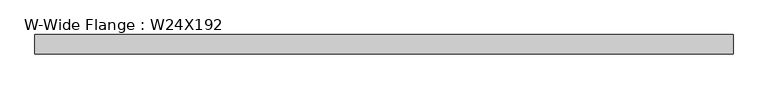
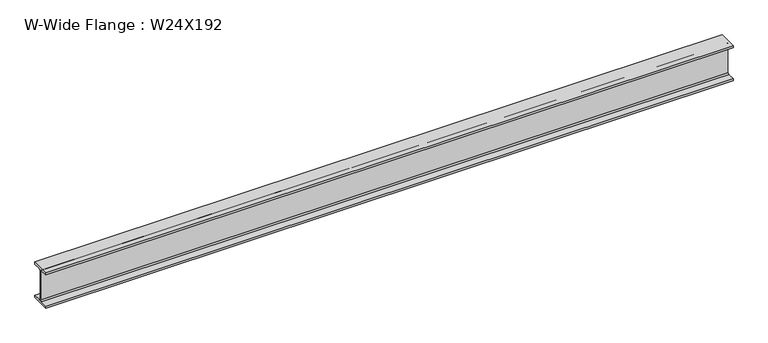
"""IFC4 building model written with IfcOpenShell, lengths in millimetres: beam geometry, W-Wide Flange : W24X192."""

import ifcopenshell
import ifcopenshell.guid

model = None  # the IFC model being written
_history = None  # IfcOwnerHistory: only IFC2X3 demands one
_inside = {}  # id of a spatial element -> (the spatial element, [elements in it])
_under = {}  # id of a project, library or spatial element -> (it, [spatial elements below it])
_declared = {}  # id of a project -> (the project, [libraries it declares])
_typed = {}  # id of a type object -> (the type object, [elements of that type])
_made_of = {}  # id of a material, layer set ... -> (it, [elements and type objects made of it])


def new_model(schema):
    """Start an empty IFC model of exactly this schema.

    Asked for "IFC4X3", IfcOpenShell would pick the latest addendum, in which some entities
    have other attributes; the version numbers below select the first issue.
    IFC2X3 requires an IfcOwnerHistory on every rooted entity: one is made here for all.
    """
    global model, _history
    if schema == "IFC4X3":
        model = ifcopenshell.file(schema_version=(4, 3, 0, 0))
    else:
        model = ifcopenshell.file(schema=schema)
    _inside.clear()
    _under.clear()
    _declared.clear()
    _typed.clear()
    _made_of.clear()
    _history = None
    if model.schema == "IFC2X3":
        org = make("IfcOrganization", Name="unknown")
        user = make(
            "IfcPersonAndOrganization",
            ThePerson=make("IfcPerson", FamilyName="unknown"),
            TheOrganization=org,
        )
        app = make(
            "IfcApplication",
            ApplicationDeveloper=org,
            Version="unknown",
            ApplicationFullName="unknown",
            ApplicationIdentifier="unknown",
        )
        _history = make(
            "IfcOwnerHistory",
            OwningUser=user,
            OwningApplication=app,
            ChangeAction="ADDED",
            CreationDate=0,
        )
    return model


def make(cls, **values):
    """One entity of the class cls with the attributes given. An attribute that is None is left unset."""
    return model.create_entity(
        cls, **{name: value for name, value in values.items() if value is not None}
    )


def rooted(cls, **values):
    """An entity with a GlobalId (a new one), such as an element, a storey or a relation."""
    return make(cls, GlobalId=ifcopenshell.guid.new(), OwnerHistory=_history, **values)


def si_unit(unit_type, name, prefix=None):
    """IfcSIUnit, for example si_unit("LENGTHUNIT", "METRE", prefix="MILLI")."""
    return make("IfcSIUnit", UnitType=unit_type, Prefix=prefix, Name=name)


def assignment(units):
    """IfcUnitAssignment: the units of a project."""
    return None if units is None else make("IfcUnitAssignment", Units=units)


def point(xyz):
    """IfcCartesianPoint."""
    return None if xyz is None else make("IfcCartesianPoint", Coordinates=xyz)


def direction(xyz):
    """IfcDirection."""
    return None if xyz is None else make("IfcDirection", DirectionRatios=xyz)


def frame(location, z_axis=None, x_axis=None):
    """IfcAxis2Placement3D, a coordinate frame: its origin and axes. An axis left out is left unset."""
    return make(
        "IfcAxis2Placement3D",
        Location=point(location),
        Axis=direction(z_axis),
        RefDirection=direction(x_axis),
    )


def frame_2d(location, x_axis=None):
    """IfcAxis2Placement2D, a coordinate frame in the plane: its origin and x axis."""
    return make(
        "IfcAxis2Placement2D", Location=point(location), RefDirection=direction(x_axis)
    )


def origin():
    """The frame at (0, 0, 0) with its axes left unset."""
    return frame((0.0, 0.0, 0.0))


def place(relative_to, where):
    """IfcLocalPlacement: puts the frame where relative to a parent placement (None: the world)."""
    return make(
        "IfcLocalPlacement", PlacementRelTo=relative_to, RelativePlacement=where
    )


def context(
    kind, dimensions, precision=None, world=None, true_north=None, identifier=None
):
    """IfcGeometricRepresentationContext, for example the 3D "Model" context."""
    return make(
        "IfcGeometricRepresentationContext",
        ContextIdentifier=identifier,
        ContextType=kind,
        CoordinateSpaceDimension=dimensions,
        Precision=precision,
        WorldCoordinateSystem=world,
        TrueNorth=true_north,
    )


def project(units=None, contexts=None):
    """IfcProject with its units and contexts."""
    return rooted(
        "IfcProject",
        Name="project",
        RepresentationContexts=contexts,
        UnitsInContext=assignment(units),
    )


def spatial(cls, under=None, at=None, **own):
    """A site, building, storey or space (cls), placed at a placement, below another one or the project."""
    s = rooted(cls, ObjectPlacement=at, **own)
    if under is not None:
        _under.setdefault(under.id(), (under, []))[1].append(s)
    return s


def polyline(points):
    """IfcPolyline through the points."""
    return make("IfcPolyline", Points=[point(p) for p in points])


def circle_curve(where, radius):
    """IfcCircle in the frame where."""
    return make("IfcCircle", Position=where, Radius=radius)


def trimmed(basis, trim1, trim2, sense, master):
    """IfcTrimmedCurve: the piece of a basis curve between two trims."""
    return make(
        "IfcTrimmedCurve",
        BasisCurve=basis,
        Trim1=trim1,
        Trim2=trim2,
        SenseAgreement=sense,
        MasterRepresentation=master,
    )


def segment(curve, same_sense, transition):
    """IfcCompositeCurveSegment."""
    return make(
        "IfcCompositeCurveSegment",
        Transition=transition,
        SameSense=same_sense,
        ParentCurve=curve,
    )


def composite_curve(segments, self_intersect=None):
    """IfcCompositeCurve: segments joined end to end."""
    return make("IfcCompositeCurve", Segments=segments, SelfIntersect=self_intersect)


def outline(outer, holes=None, kind="AREA"):
    """IfcArbitraryClosedProfileDef: a profile drawn as a closed curve; with holes, ...WithVoids."""
    if holes is None:
        return make("IfcArbitraryClosedProfileDef", ProfileType=kind, OuterCurve=outer)
    return make(
        "IfcArbitraryProfileDefWithVoids",
        ProfileType=kind,
        OuterCurve=outer,
        InnerCurves=holes,
    )


def extrude(swept, where, along, depth):
    """IfcExtrudedAreaSolid: the profile swept, set in the frame where, extruded along a direction by depth."""
    return make(
        "IfcExtrudedAreaSolid",
        SweptArea=swept,
        Position=where,
        ExtrudedDirection=direction(along),
        Depth=depth,
    )


def shape(context_of_items, identifier, shape_type, items):
    """IfcShapeRepresentation: the items that make up one representation, for example the "Body"."""
    return make(
        "IfcShapeRepresentation",
        ContextOfItems=context_of_items,
        RepresentationIdentifier=identifier,
        RepresentationType=shape_type,
        Items=items,
    )


def source(mapping_origin, context_of_items, identifier, shape_type, items):
    """IfcRepresentationMap: a shape defined once, which mapped items show again and again."""
    return make(
        "IfcRepresentationMap",
        MappingOrigin=mapping_origin,
        MappedRepresentation=shape(context_of_items, identifier, shape_type, items),
    )


def transform(
    local_origin,
    x_axis=None,
    y_axis=None,
    z_axis=None,
    scale=None,
    scale2=None,
    scale3=None,
    uniform=True,
):
    """IfcCartesianTransformationOperator3D, or its non-uniform kind. x_axis, y_axis, z_axis: its Axis1, 2, 3."""
    if uniform:
        return make(
            "IfcCartesianTransformationOperator3D",
            Axis1=direction(x_axis),
            Axis2=direction(y_axis),
            LocalOrigin=point(local_origin),
            Scale=scale,
            Axis3=direction(z_axis),
        )
    return make(
        "IfcCartesianTransformationOperator3DnonUniform",
        Axis1=direction(x_axis),
        Axis2=direction(y_axis),
        LocalOrigin=point(local_origin),
        Scale=scale,
        Axis3=direction(z_axis),
        Scale2=scale2,
        Scale3=scale3,
    )


def mapped(mapping_source, mapping_target):
    """IfcMappedItem: shows the shape of a source again, moved by a transform."""
    return make(
        "IfcMappedItem", MappingSource=mapping_source, MappingTarget=mapping_target
    )


def made_of(thing, what):
    """Note that an element or type object is made of a material, layer set ...; save() writes the relation."""
    if what is not None:
        _made_of.setdefault(what.id(), (what, []))[1].append(thing)
    return thing


def element(
    cls,
    number,
    at=None,
    inside=None,
    cuts=None,
    type_object=None,
    material=None,
    context=None,
    identifier="Body",
    shape_type=None,
    held_by="IfcProductDefinitionShape",
    body=None,
    shapes=None,
    **own,
):
    """One element of the class cls, such as IfcWall. Its Tag is "e" and its number.

    at: its placement. inside: the storey or other place that contains it. cuts: it is an
    opening in that element (IfcRelVoidsElement). A single representation is given by context,
    identifier, shape_type and body (its items); several are given by shapes. held_by: the class
    of the entity that holds the representations. save() writes the other relations.
    """
    e = rooted(cls, Tag="e%d" % number, ObjectPlacement=at, **own)
    if body is not None:
        shapes = [shape(context, identifier, shape_type, body)]
    if shapes is not None:
        e.Representation = make(held_by, Representations=shapes)
    if inside is not None:
        _inside.setdefault(inside.id(), (inside, []))[1].append(e)
    if cuts is not None:
        rooted(
            "IfcRelVoidsElement", RelatingBuildingElement=cuts, RelatedOpeningElement=e
        )
    if type_object is not None:
        _typed.setdefault(type_object.id(), (type_object, []))[1].append(e)
    return made_of(e, material)


def aggregate(whole, parts):
    """IfcRelAggregates: a whole, such as a stair, and the parts it consists of."""
    return rooted("IfcRelAggregates", RelatingObject=whole, RelatedObjects=parts)


def save(model, path):
    """Write the relations noted so far, then the file.

    IfcRelAggregates (storeys below a building ...), IfcRelContainedInSpatialStructure (elements
    in a storey), IfcRelDefinesByType, IfcRelAssociatesMaterial and IfcRelDeclares: one each for
    every whole, place, type object, material and project.
    """
    for whole, parts in _under.values():
        aggregate(whole, parts)
    for where, things in _inside.values():
        rooted(
            "IfcRelContainedInSpatialStructure",
            RelatedElements=things,
            RelatingStructure=where,
        )
    for kind, things in _typed.values():
        rooted("IfcRelDefinesByType", RelatedObjects=things, RelatingType=kind)
    for what, things in _made_of.values():
        rooted("IfcRelAssociatesMaterial", RelatedObjects=things, RelatingMaterial=what)
    for by, libraries in _declared.values():
        rooted("IfcRelDeclares", RelatingContext=by, RelatedDefinitions=libraries)
    model.write(path)


def w_wide_flange_w24x192_ff1367d4(model_context):
    return source(origin(), model_context, "Body", "SweptSolid", [
        extrude(outline(composite_curve([segment(polyline([(165.1, -286.766), (165.1, -323.85), (-165.1, -323.85), (-165.1, -286.766), (-33.528, -286.766)]), True, "CONTINUOUS"), segment(trimmed(circle_curve(frame_2d((-33.528, -263.525)), 23.241), [point((-33.528, -286.766))], [point((-10.287, -263.525))], True, "CARTESIAN"), True, "CONTINUOUS"), segment(polyline([(-10.287, -263.525), (-10.287, 263.525)]), True, "CONTINUOUS"), segment(trimmed(circle_curve(frame_2d((-33.528, 263.525)), 23.241), [point((-10.287, 263.525))], [point((-33.528, 286.766))], True, "CARTESIAN"), True, "CONTINUOUS"), segment(polyline([(-33.528, 286.766), (-165.1, 286.766), (-165.1, 323.85), (165.1, 323.85), (165.1, 286.766), (33.528, 286.766)]), True, "CONTINUOUS"), segment(trimmed(circle_curve(frame_2d((33.528, 263.525)), 23.241), [point((33.528, 286.766))], [point((10.287, 263.525))], True, "CARTESIAN"), True, "CONTINUOUS"), segment(polyline([(10.287, 263.525), (10.287, -263.525)]), True, "CONTINUOUS"), segment(trimmed(circle_curve(frame_2d((33.528, -263.525)), 23.241), [point((10.287, -263.525))], [point((33.528, -286.766))], True, "CARTESIAN"), True, "CONTINUOUS"), segment(polyline([(33.528, -286.766), (165.1, -286.766)]), True, "CONTINUOUS")], self_intersect=False)), frame((-6014.2985989, 0.0, 0.0), z_axis=(1.0, 0.0, 0.0), x_axis=(0.0, 1.0, 0.0)), (0.0, 0.0, 1.0), 11964.5244601),
    ])


if __name__ == "__main__":
    model = new_model("IFC4")
    model_context = context("Model", 3, world=origin())
    ifc_project = project(units=[si_unit("LENGTHUNIT", "METRE", prefix="MILLI")], contexts=[model_context])
    site = spatial("IfcSite", under=ifc_project)
    building = spatial("IfcBuilding", under=site)
    placement = place(None, origin())
    w_wide_flange_w24x192_shape = w_wide_flange_w24x192_ff1367d4(model_context)
    element("IfcBeam", 1, ObjectType="W-Wide Flange : W24X192", at=placement, inside=building, context=model_context, shape_type="MappedRepresentation", body=[
        mapped(w_wide_flange_w24x192_shape, transform((0.0, 0.0, 0.0), x_axis=(1.0, 0.0, 0.0), y_axis=(0.0, 1.0, 0.0), z_axis=(0.0, 0.0, 1.0))),
    ])
    save(model, "model.ifc")
